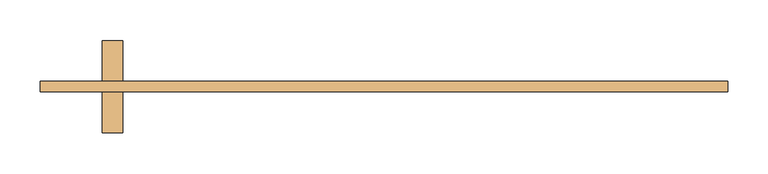
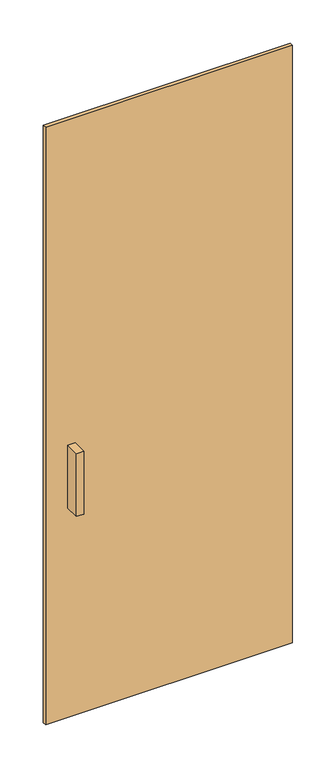
"""IFC4 building model written with IfcOpenShell, lengths in millimetres: door geometry."""

from ifc_helpers import new_model, si_unit, frame, origin, origin_with_axes, place, context, project, spatial, polyline, outline, extrude, source, transform, mapped, element, save


def door_b2e88850(model_context):
    return source(origin(), model_context, "Body", "SweptSolid", [
        extrude(outline(polyline([(-323.4, -12.5), (-348.8, -12.5), (-348.8, 38.3), (-323.4, 38.3), (-323.4, -12.5)])), frame((0.0, 0.0, 762.0), z_axis=(0.0, 0.0, 1.0), x_axis=(1.0, 0.0, 0.0)), (0.0, 0.0, 1.0), 228.6),
        extrude(outline(polyline([(-348.8, 101.8), (-323.4, 101.8), (-323.4, 51.0), (-348.8, 51.0), (-348.8, 101.8)])), frame((0.0, 0.0, 762.0), z_axis=(0.0, 0.0, 1.0), x_axis=(1.0, 0.0, 0.0)), (0.0, 0.0, 1.0), 228.6),
        extrude(outline(polyline([(425.0, 51.0), (425.0, 38.3), (-425.0, 38.3), (-425.0, 51.0), (425.0, 51.0)])), origin_with_axes(), (0.0, 0.0, 1.0), 2175.0),
    ])


if __name__ == "__main__":
    model = new_model("IFC4")
    model_context = context("Model", 3, world=origin())
    ifc_project = project(units=[si_unit("LENGTHUNIT", "METRE", prefix="MILLI")], contexts=[model_context])
    site = spatial("IfcSite", under=ifc_project)
    building = spatial("IfcBuilding", under=site)
    placement = place(None, origin())
    door_shape = door_b2e88850(model_context)
    element("IfcDoor", 1, at=placement, inside=building, context=model_context, shape_type="MappedRepresentation", body=[
        mapped(door_shape, transform((0.0, 0.0, 0.0), x_axis=(1.0, 0.0, 0.0), y_axis=(0.0, 1.0, 0.0), z_axis=(0.0, 0.0, 1.0))),
    ])
    save(model, "model.ifc")
